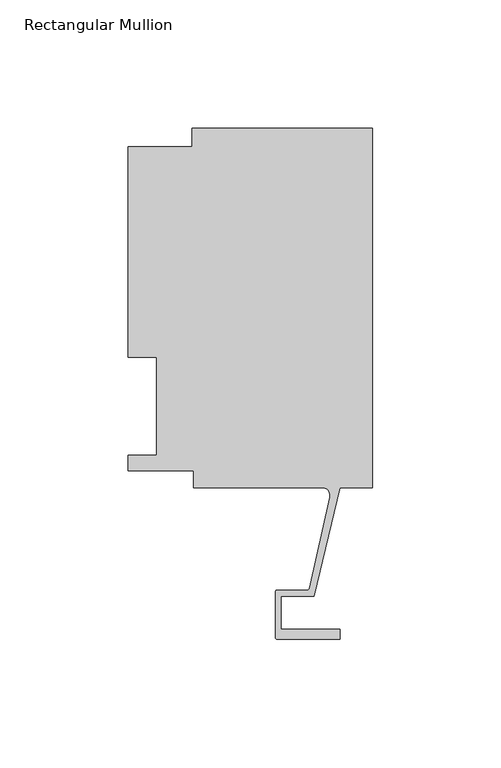
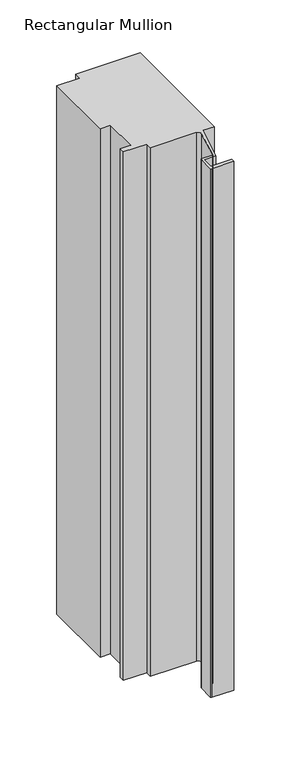
"""IFC4 building model written with IfcOpenShell, lengths in millimetres: member geometry, Rectangular Mullion."""

from ifc_helpers import new_model, si_unit, point, frame, frame_2d, origin, place, context, project, spatial, polyline, circle_curve, trimmed, segment, composite_curve, outline, extrude, source, transform, mapped, element, save


def rectangular_mullion_46f2b01b(model_context):
    return source(origin(), model_context, "Body", "SweptSolid", [
        extrude(outline(composite_curve([segment(polyline([(-70.3072, 133.731), (0.0, 133.731), (0.0, -6.2260967), (-12.7, -6.2260967), (-22.7594087, -48.4979562), (-35.5718677, -48.4979562), (-35.5718677, -61.4061977), (-12.7611926, -61.4061977), (-12.7611926, -65.3939977), (-37.0704677, -65.3939977)]), True, "CONTINUOUS"), segment(trimmed(circle_curve(frame_2d((-37.0704677, -64.6065977)), 0.7874), [point((-37.0704677, -65.3939977))], [point((-37.8578677, -64.6065977))], False, "CARTESIAN"), True, "CONTINUOUS"), segment(polyline([(-37.8578677, -64.6065977), (-37.8578677, -46.9739562)]), True, "CONTINUOUS"), segment(trimmed(circle_curve(frame_2d((-37.0958677, -46.9739562)), 0.762), [point((-37.8578677, -46.9739562))], [point((-37.0958677, -46.2119562))], False, "CARTESIAN"), True, "CONTINUOUS"), segment(polyline([(-37.0958677, -46.2119562), (-25.3893173, -46.2119562)]), True, "CONTINUOUS"), segment(trimmed(circle_curve(frame_2d((-25.3679884, -45.4774789)), 0.7347869), [point((-25.3893173, -46.2119562))], [point((-24.6514289, -45.6401264))], True, "CARTESIAN"), True, "CONTINUOUS"), segment(polyline([(-24.6514289, -45.6401264), (-16.585275, -10.1038947)]), True, "CONTINUOUS"), segment(trimmed(circle_curve(frame_2d((-19.681515, -9.4010979)), 3.175), [point((-16.585275, -10.1038947))], [point((-19.681515, -6.2260979))], True, "CARTESIAN"), True, "CONTINUOUS"), segment(polyline([(-19.681515, -6.2260979), (-69.85, -6.2260979), (-69.85, 0.4064), (-95.25, 0.4064), (-95.25, 6.35), (-84.1375, 6.35), (-84.1375, 44.45), (-95.25, 44.45), (-95.25, 126.619), (-70.3072, 126.619), (-70.3072, 133.731)]), True, "CONTINUOUS")], self_intersect=False)), frame((0.0, 0.0, -609.6), z_axis=(0.0, 0.0, 1.0), x_axis=(1.0, 0.0, 0.0)), (0.0, 0.0, 1.0), 609.6),
    ])


if __name__ == "__main__":
    model = new_model("IFC4")
    model_context = context("Model", 3, world=origin())
    ifc_project = project(units=[si_unit("LENGTHUNIT", "METRE", prefix="MILLI")], contexts=[model_context])
    site = spatial("IfcSite", under=ifc_project)
    building = spatial("IfcBuilding", under=site)
    placement = place(None, origin())
    rectangular_mullion_shape = rectangular_mullion_46f2b01b(model_context)
    element("IfcMember", 1, ObjectType="Rectangular Mullion", at=placement, inside=building, context=model_context, shape_type="MappedRepresentation", body=[
        mapped(rectangular_mullion_shape, transform((0.0, 0.0, 0.0), x_axis=(1.0, 0.0, 0.0), y_axis=(0.0, 1.0, 0.0), z_axis=(0.0, 0.0, 1.0))),
    ])
    save(model, "model.ifc")
